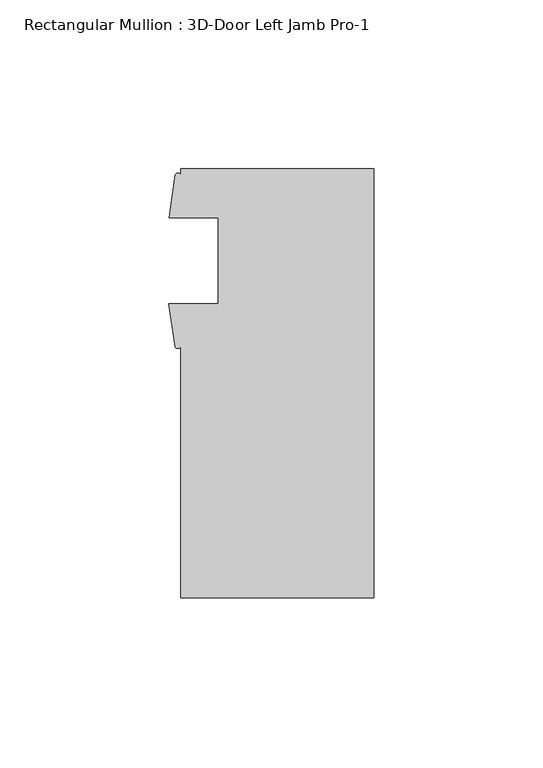
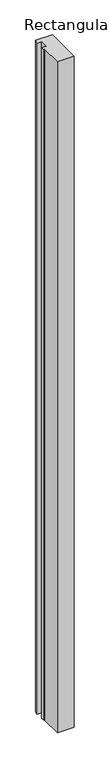
"""IFC4 building model written with IfcOpenShell, lengths in millimetres: member geometry, Rectangular Mullion : 3D-Door Left Jamb Pro-1."""

from ifc_helpers import new_model, si_unit, point, frame, frame_2d, origin, place, context, project, spatial, polyline, circle_curve, trimmed, segment, composite_curve, outline, extrude, source, transform, mapped, element, save


def rectangular_mullion_3d_door_left_jamb_pro_1_03540be5(model_context):
    return source(origin(), model_context, "Body", "SweptSolid", [
        extrude(outline(composite_curve([segment(polyline([(28.575, 53.975), (28.575, -73.025), (-28.575, -73.025), (-28.575, 1.2984222)]), True, "CONTINUOUS"), segment(trimmed(circle_curve(frame_2d((-29.4067022, 1.7696653)), 0.9559281), [point((-28.575, 1.2984222))], [point((-30.2384044, 1.2984222))], False, "CARTESIAN"), True, "CONTINUOUS"), segment(polyline([(-30.2384044, 1.2984222), (-32.0932005, 14.0623825), (-17.4625, 14.0623825), (-17.4625, 39.471475), (-31.971, 39.471475), (-30.1608963, 52.2427625)]), True, "CONTINUOUS"), segment(trimmed(circle_curve(frame_2d((-29.3679481, 51.7868457)), 0.9146731), [point((-30.1608963, 52.2427625))], [point((-28.575, 52.2427625))], False, "CARTESIAN"), True, "CONTINUOUS"), segment(polyline([(-28.575, 52.2427625), (-28.575, 53.975), (28.575, 53.975)]), True, "CONTINUOUS")], self_intersect=False)), frame((0.0, 0.0, -2406.5592218), z_axis=(0.0, 0.0, 1.0), x_axis=(1.0, 0.0, 0.0)), (0.0, 0.0, 1.0), 2406.5592218),
    ])


if __name__ == "__main__":
    model = new_model("IFC4")
    model_context = context("Model", 3, world=origin())
    ifc_project = project(units=[si_unit("LENGTHUNIT", "METRE", prefix="MILLI")], contexts=[model_context])
    site = spatial("IfcSite", under=ifc_project)
    building = spatial("IfcBuilding", under=site)
    placement = place(None, origin())
    rectangular_mullion_3d_door_left_jamb_pro_1_shape = rectangular_mullion_3d_door_left_jamb_pro_1_03540be5(model_context)
    element("IfcMember", 1, ObjectType="Rectangular Mullion : 3D-Door Left Jamb Pro-1", at=placement, inside=building, context=model_context, shape_type="MappedRepresentation", body=[
        mapped(rectangular_mullion_3d_door_left_jamb_pro_1_shape, transform((0.0, 0.0, 0.0), x_axis=(1.0, 0.0, 0.0), y_axis=(0.0, 1.0, 0.0), z_axis=(0.0, 0.0, 1.0))),
    ])
    save(model, "model.ifc")
